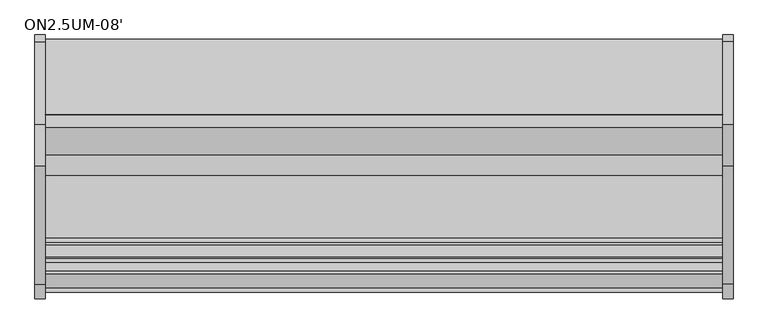
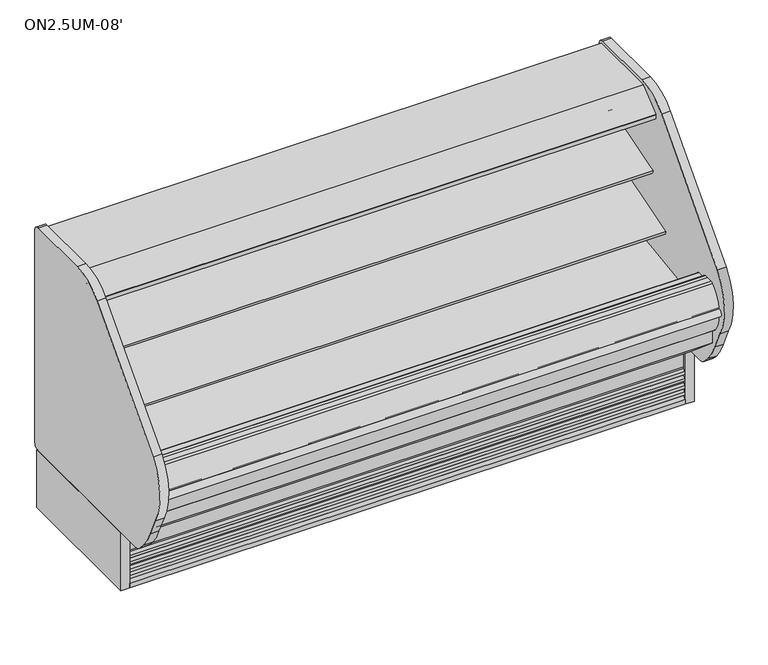
"""IFC4 building model written with IfcOpenShell, lengths in millimetres: proxy geometry, ON2.5UM-08'."""

import ifcopenshell
import ifcopenshell.guid

model = None  # the IFC model being written
_history = None  # IfcOwnerHistory: only IFC2X3 demands one
_inside = {}  # id of a spatial element -> (the spatial element, [elements in it])
_under = {}  # id of a project, library or spatial element -> (it, [spatial elements below it])
_declared = {}  # id of a project -> (the project, [libraries it declares])
_typed = {}  # id of a type object -> (the type object, [elements of that type])
_made_of = {}  # id of a material, layer set ... -> (it, [elements and type objects made of it])


def new_model(schema):
    """Start an empty IFC model of exactly this schema.

    Asked for "IFC4X3", IfcOpenShell would pick the latest addendum, in which some entities
    have other attributes; the version numbers below select the first issue.
    IFC2X3 requires an IfcOwnerHistory on every rooted entity: one is made here for all.
    """
    global model, _history
    if schema == "IFC4X3":
        model = ifcopenshell.file(schema_version=(4, 3, 0, 0))
    else:
        model = ifcopenshell.file(schema=schema)
    _inside.clear()
    _under.clear()
    _declared.clear()
    _typed.clear()
    _made_of.clear()
    _history = None
    if model.schema == "IFC2X3":
        org = make("IfcOrganization", Name="unknown")
        user = make(
            "IfcPersonAndOrganization",
            ThePerson=make("IfcPerson", FamilyName="unknown"),
            TheOrganization=org,
        )
        app = make(
            "IfcApplication",
            ApplicationDeveloper=org,
            Version="unknown",
            ApplicationFullName="unknown",
            ApplicationIdentifier="unknown",
        )
        _history = make(
            "IfcOwnerHistory",
            OwningUser=user,
            OwningApplication=app,
            ChangeAction="ADDED",
            CreationDate=0,
        )
    return model


def make(cls, **values):
    """One entity of the class cls with the attributes given. An attribute that is None is left unset."""
    return model.create_entity(
        cls, **{name: value for name, value in values.items() if value is not None}
    )


def rooted(cls, **values):
    """An entity with a GlobalId (a new one), such as an element, a storey or a relation."""
    return make(cls, GlobalId=ifcopenshell.guid.new(), OwnerHistory=_history, **values)


def si_unit(unit_type, name, prefix=None):
    """IfcSIUnit, for example si_unit("LENGTHUNIT", "METRE", prefix="MILLI")."""
    return make("IfcSIUnit", UnitType=unit_type, Prefix=prefix, Name=name)


def assignment(units):
    """IfcUnitAssignment: the units of a project."""
    return None if units is None else make("IfcUnitAssignment", Units=units)


def point(xyz):
    """IfcCartesianPoint."""
    return None if xyz is None else make("IfcCartesianPoint", Coordinates=xyz)


def direction(xyz):
    """IfcDirection."""
    return None if xyz is None else make("IfcDirection", DirectionRatios=xyz)


def frame(location, z_axis=None, x_axis=None):
    """IfcAxis2Placement3D, a coordinate frame: its origin and axes. An axis left out is left unset."""
    return make(
        "IfcAxis2Placement3D",
        Location=point(location),
        Axis=direction(z_axis),
        RefDirection=direction(x_axis),
    )


def frame_2d(location, x_axis=None):
    """IfcAxis2Placement2D, a coordinate frame in the plane: its origin and x axis."""
    return make(
        "IfcAxis2Placement2D", Location=point(location), RefDirection=direction(x_axis)
    )


def origin():
    """The frame at (0, 0, 0) with its axes left unset."""
    return frame((0.0, 0.0, 0.0))


def origin_with_axes():
    """The frame at (0, 0, 0) with the z axis (0, 0, 1) and the x axis (1, 0, 0) written out."""
    return frame((0.0, 0.0, 0.0), z_axis=(0.0, 0.0, 1.0), x_axis=(1.0, 0.0, 0.0))


def place(relative_to, where):
    """IfcLocalPlacement: puts the frame where relative to a parent placement (None: the world)."""
    return make(
        "IfcLocalPlacement", PlacementRelTo=relative_to, RelativePlacement=where
    )


def context(
    kind, dimensions, precision=None, world=None, true_north=None, identifier=None
):
    """IfcGeometricRepresentationContext, for example the 3D "Model" context."""
    return make(
        "IfcGeometricRepresentationContext",
        ContextIdentifier=identifier,
        ContextType=kind,
        CoordinateSpaceDimension=dimensions,
        Precision=precision,
        WorldCoordinateSystem=world,
        TrueNorth=true_north,
    )


def project(units=None, contexts=None):
    """IfcProject with its units and contexts."""
    return rooted(
        "IfcProject",
        Name="project",
        RepresentationContexts=contexts,
        UnitsInContext=assignment(units),
    )


def spatial(cls, under=None, at=None, **own):
    """A site, building, storey or space (cls), placed at a placement, below another one or the project."""
    s = rooted(cls, ObjectPlacement=at, **own)
    if under is not None:
        _under.setdefault(under.id(), (under, []))[1].append(s)
    return s


def polyline(points):
    """IfcPolyline through the points."""
    return make("IfcPolyline", Points=[point(p) for p in points])


def circle_curve(where, radius):
    """IfcCircle in the frame where."""
    return make("IfcCircle", Position=where, Radius=radius)


def trimmed(basis, trim1, trim2, sense, master):
    """IfcTrimmedCurve: the piece of a basis curve between two trims."""
    return make(
        "IfcTrimmedCurve",
        BasisCurve=basis,
        Trim1=trim1,
        Trim2=trim2,
        SenseAgreement=sense,
        MasterRepresentation=master,
    )


def segment(curve, same_sense, transition):
    """IfcCompositeCurveSegment."""
    return make(
        "IfcCompositeCurveSegment",
        Transition=transition,
        SameSense=same_sense,
        ParentCurve=curve,
    )


def composite_curve(segments, self_intersect=None):
    """IfcCompositeCurve: segments joined end to end."""
    return make("IfcCompositeCurve", Segments=segments, SelfIntersect=self_intersect)


def outline(outer, holes=None, kind="AREA"):
    """IfcArbitraryClosedProfileDef: a profile drawn as a closed curve; with holes, ...WithVoids."""
    if holes is None:
        return make("IfcArbitraryClosedProfileDef", ProfileType=kind, OuterCurve=outer)
    return make(
        "IfcArbitraryProfileDefWithVoids",
        ProfileType=kind,
        OuterCurve=outer,
        InnerCurves=holes,
    )


def extrude(swept, where, along, depth):
    """IfcExtrudedAreaSolid: the profile swept, set in the frame where, extruded along a direction by depth."""
    return make(
        "IfcExtrudedAreaSolid",
        SweptArea=swept,
        Position=where,
        ExtrudedDirection=direction(along),
        Depth=depth,
    )


def shape(context_of_items, identifier, shape_type, items):
    """IfcShapeRepresentation: the items that make up one representation, for example the "Body"."""
    return make(
        "IfcShapeRepresentation",
        ContextOfItems=context_of_items,
        RepresentationIdentifier=identifier,
        RepresentationType=shape_type,
        Items=items,
    )


def source(mapping_origin, context_of_items, identifier, shape_type, items):
    """IfcRepresentationMap: a shape defined once, which mapped items show again and again."""
    return make(
        "IfcRepresentationMap",
        MappingOrigin=mapping_origin,
        MappedRepresentation=shape(context_of_items, identifier, shape_type, items),
    )


def transform(
    local_origin,
    x_axis=None,
    y_axis=None,
    z_axis=None,
    scale=None,
    scale2=None,
    scale3=None,
    uniform=True,
):
    """IfcCartesianTransformationOperator3D, or its non-uniform kind. x_axis, y_axis, z_axis: its Axis1, 2, 3."""
    if uniform:
        return make(
            "IfcCartesianTransformationOperator3D",
            Axis1=direction(x_axis),
            Axis2=direction(y_axis),
            LocalOrigin=point(local_origin),
            Scale=scale,
            Axis3=direction(z_axis),
        )
    return make(
        "IfcCartesianTransformationOperator3DnonUniform",
        Axis1=direction(x_axis),
        Axis2=direction(y_axis),
        LocalOrigin=point(local_origin),
        Scale=scale,
        Axis3=direction(z_axis),
        Scale2=scale2,
        Scale3=scale3,
    )


def mapped(mapping_source, mapping_target):
    """IfcMappedItem: shows the shape of a source again, moved by a transform."""
    return make(
        "IfcMappedItem", MappingSource=mapping_source, MappingTarget=mapping_target
    )


def made_of(thing, what):
    """Note that an element or type object is made of a material, layer set ...; save() writes the relation."""
    if what is not None:
        _made_of.setdefault(what.id(), (what, []))[1].append(thing)
    return thing


def element(
    cls,
    number,
    at=None,
    inside=None,
    cuts=None,
    type_object=None,
    material=None,
    context=None,
    identifier="Body",
    shape_type=None,
    held_by="IfcProductDefinitionShape",
    body=None,
    shapes=None,
    **own,
):
    """One element of the class cls, such as IfcWall. Its Tag is "e" and its number.

    at: its placement. inside: the storey or other place that contains it. cuts: it is an
    opening in that element (IfcRelVoidsElement). A single representation is given by context,
    identifier, shape_type and body (its items); several are given by shapes. held_by: the class
    of the entity that holds the representations. save() writes the other relations.
    """
    e = rooted(cls, Tag="e%d" % number, ObjectPlacement=at, **own)
    if body is not None:
        shapes = [shape(context, identifier, shape_type, body)]
    if shapes is not None:
        e.Representation = make(held_by, Representations=shapes)
    if inside is not None:
        _inside.setdefault(inside.id(), (inside, []))[1].append(e)
    if cuts is not None:
        rooted(
            "IfcRelVoidsElement", RelatingBuildingElement=cuts, RelatedOpeningElement=e
        )
    if type_object is not None:
        _typed.setdefault(type_object.id(), (type_object, []))[1].append(e)
    return made_of(e, material)


def aggregate(whole, parts):
    """IfcRelAggregates: a whole, such as a stair, and the parts it consists of."""
    return rooted("IfcRelAggregates", RelatingObject=whole, RelatedObjects=parts)


def save(model, path):
    """Write the relations noted so far, then the file.

    IfcRelAggregates (storeys below a building ...), IfcRelContainedInSpatialStructure (elements
    in a storey), IfcRelDefinesByType, IfcRelAssociatesMaterial and IfcRelDeclares: one each for
    every whole, place, type object, material and project.
    """
    for whole, parts in _under.values():
        aggregate(whole, parts)
    for where, things in _inside.values():
        rooted(
            "IfcRelContainedInSpatialStructure",
            RelatedElements=things,
            RelatingStructure=where,
        )
    for kind, things in _typed.values():
        rooted("IfcRelDefinesByType", RelatedObjects=things, RelatingType=kind)
    for what, things in _made_of.values():
        rooted("IfcRelAssociatesMaterial", RelatedObjects=things, RelatingMaterial=what)
    for by, libraries in _declared.values():
        rooted("IfcRelDeclares", RelatingContext=by, RelatedDefinitions=libraries)
    model.write(path)


def plane_surface(at):
    """IfcPlane: the flat surface through the origin of the frame at, square to its z axis."""
    return make("IfcPlane", Position=at)


def revolved_surface(curve, axis_point, axis_direction):
    """IfcSurfaceOfRevolution: the curve turned about the line through axis_point along axis_direction."""
    return make(
        "IfcSurfaceOfRevolution",
        SweptCurve=make("IfcArbitraryOpenProfileDef", ProfileType="CURVE", Curve=curve),
        AxisPosition=make("IfcAxis1Placement", Location=point(axis_point), Axis=direction(axis_direction)),
    )


def advanced_brep(points, edges, surfaces, faces):
    """IfcAdvancedBrep: a solid bounded by faces that lie on surfaces and meet in shared edges.

    An edge is (start, end): straight between two places in points (the first is 0);
    or (start, end, curve); or (start, end, curve, False) where it runs against its curve.
    A face is (place in surfaces, loops), or (place, loops, False) where it looks against
    its surface's normal. A loop lists edges by number (the first is 1), with a minus sign
    where the edge is run from its end to its start. The first loop is the outer one.
    """
    corners = [point(p) for p in points]
    vertices = [make("IfcVertexPoint", VertexGeometry=c) for c in corners]
    made = []
    for start, end, *more in edges:
        made.append(
            make(
                "IfcEdgeCurve",
                EdgeStart=vertices[start],
                EdgeEnd=vertices[end],
                EdgeGeometry=more[0] if more else make("IfcPolyline", Points=[corners[start], corners[end]]),
                SameSense=more[1] if len(more) > 1 else True,
            )
        )
    hull = []
    for where, loops, *sense in faces:
        bounds = []
        for j, loop in enumerate(loops):
            ring = [make("IfcOrientedEdge", EdgeElement=made[abs(k) - 1], Orientation=k > 0) for k in loop]
            bounds.append(
                make(
                    "IfcFaceOuterBound" if j == 0 else "IfcFaceBound",
                    Bound=make("IfcEdgeLoop", EdgeList=ring),
                    Orientation=True,
                )
            )
        hull.append(make("IfcAdvancedFace", Bounds=bounds, FaceSurface=surfaces[where], SameSense=sense[0] if sense else True))
    return make("IfcAdvancedBrep", Outer=make("IfcClosedShell", CfsFaces=hull))


def on2_5um_08_da630ed4(model_context):
    return source(origin(), model_context, "Body", "SolidModel", [
        extrude(outline(polyline([(507.388263, -893.2764617), (202.588263, -893.2764617), (202.588263, -791.6764617), (507.388263, -791.6764617), (507.388263, -893.2764617)])), frame((0.0, 0.0, 73.025), z_axis=(0.0, 0.0, 1.0), x_axis=(1.0, 0.0, 0.0)), (0.0, 0.0, 1.0), 53.975),
        extrude(outline(composite_curve([segment(polyline([(-450.9752145, 601.5405648), (-468.3502366, 595.9037411)]), True, "CONTINUOUS"), segment(trimmed(circle_curve(frame_2d((-476.1883714, 620.0641145)), 25.4), [point((-468.3502366, 595.9037411))], [point((-485.6945728, 596.5100886))], False, "CARTESIAN"), True, "CONTINUOUS"), segment(polyline([(-485.6945728, 596.5100886), (-506.9899706, 605.1047271)]), True, "CONTINUOUS"), segment(trimmed(circle_curve(frame_2d((-530.755474, 546.2196624)), 63.5), [point((-506.9899706, 605.1047271))], [point((-541.6241367, 608.7826081))], True, "CARTESIAN"), True, "CONTINUOUS"), segment(polyline([(-541.6241367, 608.7826081), (-729.3406491, 576.171812), (-731.7702933, 579.0267523), (-835.4587722, 547.3260029), (-839.6174674, 560.9284818), (-450.9752145, 679.7483426), (-450.9752145, 601.5405648)]), True, "CONTINUOUS")], self_intersect=False)), frame((0.0, 0.0, 0.0), z_axis=(1.0, 0.0, 0.0), x_axis=(0.0, 1.0, 0.0)), (0.0, 0.0, 1.0), 2438.4),
        extrude(outline(composite_curve([segment(polyline([(-450.9752145, 796.011901), (-468.3502366, 790.3750773)]), True, "CONTINUOUS"), segment(trimmed(circle_curve(frame_2d((-476.1883714, 814.5354507)), 25.4), [point((-468.3502366, 790.3750773))], [point((-485.6945728, 790.9814248))], False, "CARTESIAN"), True, "CONTINUOUS"), segment(polyline([(-485.6945728, 790.9814248), (-506.9899706, 799.5760633)]), True, "CONTINUOUS"), segment(trimmed(circle_curve(frame_2d((-530.755474, 740.6909986)), 63.5), [point((-506.9899706, 799.5760633))], [point((-541.6241367, 803.2539443))], True, "CARTESIAN"), True, "CONTINUOUS"), segment(polyline([(-541.6241367, 803.2539443), (-679.3922366, 785.9139105), (-681.8218807, 788.7688507), (-738.298209, 771.5023043), (-742.4569042, 785.1047832), (-450.9752145, 874.2196788), (-450.9752145, 796.011901)]), True, "CONTINUOUS")], self_intersect=False)), frame((0.0, 0.0, 0.0), z_axis=(1.0, 0.0, 0.0), x_axis=(0.0, 1.0, 0.0)), (0.0, 0.0, 1.0), 2438.4),
        extrude(outline(composite_curve([segment(polyline([(-648.470614, 1072.6264761), (-649.9945361, 1074.2809705)]), True, "CONTINUOUS"), segment(trimmed(circle_curve(frame_2d((-649.4381785, 1074.7934206)), 0.7563986), [point((-649.9945361, 1074.2809705))], [point((-650.0466912, 1075.242699))], False, "CARTESIAN"), True, "CONTINUOUS"), segment(polyline([(-650.0466912, 1075.242699), (-648.8697344, 1075.2696879)]), True, "CONTINUOUS"), segment(trimmed(circle_curve(frame_2d((-648.8849906, 1075.9349944)), 0.6654814), [point((-648.8697344, 1075.2696879))], [point((-648.2227389, 1075.86951))], True, "CARTESIAN"), True, "CONTINUOUS"), segment(polyline([(-648.2227389, 1075.86951), (-620.3098143, 1075.9693853)]), True, "CONTINUOUS"), segment(trimmed(circle_curve(frame_2d((-619.7582325, 1075.901174)), 0.5557835), [point((-620.3098143, 1075.9693853))], [point((-619.8063732, 1075.3474794))], True, "CARTESIAN"), True, "CONTINUOUS"), segment(polyline([(-619.8063732, 1075.3474794), (-618.5866603, 1075.2414319)]), True, "CONTINUOUS"), segment(trimmed(circle_curve(frame_2d((-619.2724659, 1074.9057275)), 0.7635619), [point((-618.5866603, 1075.2414319))], [point((-618.7071533, 1074.3924554))], False, "CARTESIAN"), True, "CONTINUOUS"), segment(polyline([(-618.7071533, 1074.3924554), (-620.2979029, 1072.6404203), (-620.2739221, 1065.9383273)]), True, "CONTINUOUS"), segment(trimmed(circle_curve(frame_2d((-617.5454128, 1065.4973187)), 2.7639197), [point((-620.2739221, 1065.9383273))], [point((-618.5092301, 1062.9068924))], True, "CARTESIAN"), True, "CONTINUOUS"), segment(trimmed(circle_curve(frame_2d((-619.7320957, 1059.6202289)), 3.5067873), [point((-618.5092301, 1062.9068924))], [point((-617.51659, 1062.3385173))], False, "CARTESIAN"), True, "CONTINUOUS"), segment(trimmed(circle_curve(frame_2d((-619.9358423, 1056.2322704)), 6.5680312), [point((-617.51659, 1062.3385173))], [point((-613.3688711, 1056.350264))], False, "CARTESIAN"), True, "CONTINUOUS"), segment(trimmed(circle_curve(frame_2d((-1565.705013, 1048.3568984)), 952.3696872), [point((-613.3688711, 1056.350264))], [point((-613.3917721, 1037.9880818))], False, "CARTESIAN"), True, "CONTINUOUS"), segment(trimmed(circle_curve(frame_2d((-644.191626, 1038.432929)), 30.8030662), [point((-613.3917721, 1037.9880818))], [point((-613.4160701, 1037.1313729))], False, "CARTESIAN"), True, "CONTINUOUS"), segment(trimmed(circle_curve(frame_2d((-614.6672942, 1036.8230636)), 1.288649), [point((-613.4160701, 1037.1313729))], [point((-613.7448372, 1035.9232363))], False, "CARTESIAN"), True, "CONTINUOUS"), segment(polyline([(-613.7448372, 1035.9232363), (-615.3844258, 1035.9173697)]), True, "CONTINUOUS"), segment(trimmed(circle_curve(frame_2d((-614.9290066, 1038.5823232)), 2.7035873), [point((-615.3844258, 1035.9173697))], [point((-616.2763262, 1036.2383706))], False, "CARTESIAN"), True, "CONTINUOUS"), segment(polyline([(-616.2763262, 1036.2383706), (-652.0965363, 1036.1102022)]), True, "CONTINUOUS"), segment(trimmed(circle_curve(frame_2d((-653.4351306, 1038.4591487)), 2.7035873), [point((-652.0965363, 1036.1102022))], [point((-653.0538308, 1035.7825847))], False, "CARTESIAN"), True, "CONTINUOUS"), segment(polyline([(-653.0538308, 1035.7825847), (-654.7261323, 1035.7766011)]), True, "CONTINUOUS"), segment(trimmed(circle_curve(frame_2d((-653.779063, 1036.6504867)), 1.288649), [point((-654.7261323, 1035.7766011))], [point((-655.0218104, 1036.9913611))], False, "CARTESIAN"), True, "CONTINUOUS"), segment(trimmed(circle_curve(frame_2d((514.6365685, 1060.3863806)), 1169.8923242), [point((-655.0218104, 1036.9913611))], [point((-655.2482668, 1056.2004152))], False, "CARTESIAN"), True, "CONTINUOUS"), segment(trimmed(circle_curve(frame_2d((-648.976975, 1056.2228546)), 6.2713319), [point((-655.2482668, 1056.2004152))], [point((-652.1320539, 1061.6427329))], False, "CARTESIAN"), True, "CONTINUOUS"), segment(polyline([(-652.1320539, 1061.6427329), (-650.1549769, 1062.7936506)]), True, "CONTINUOUS"), segment(trimmed(circle_curve(frame_2d((-651.9196866, 1065.8251158)), 3.5077032), [point((-650.1549769, 1062.7936506))], [point((-648.4120058, 1065.8376464))], True, "CARTESIAN"), True, "CONTINUOUS"), segment(polyline([(-648.4120058, 1065.8376464), (-648.470614, 1072.6264761)]), True, "CONTINUOUS")], self_intersect=False)), frame((0.0, 0.0, 0.0), z_axis=(1.0, 0.0, 0.0), x_axis=(0.0, 1.0, 0.0)), (0.0, 0.0, 1.0), 2438.4),
        extrude(outline(composite_curve([segment(polyline([(-685.859414, 1072.6264761), (-687.3833361, 1074.2809705)]), True, "CONTINUOUS"), segment(trimmed(circle_curve(frame_2d((-686.8269785, 1074.7934206)), 0.7563986), [point((-687.3833361, 1074.2809705))], [point((-687.4354912, 1075.242699))], False, "CARTESIAN"), True, "CONTINUOUS"), segment(polyline([(-687.4354912, 1075.242699), (-686.2585344, 1075.2696879)]), True, "CONTINUOUS"), segment(trimmed(circle_curve(frame_2d((-686.2737906, 1075.9349944)), 0.6654814), [point((-686.2585344, 1075.2696879))], [point((-685.6115389, 1075.86951))], True, "CARTESIAN"), True, "CONTINUOUS"), segment(polyline([(-685.6115389, 1075.86951), (-657.6986143, 1075.9693853)]), True, "CONTINUOUS"), segment(trimmed(circle_curve(frame_2d((-657.1470325, 1075.901174)), 0.5557835), [point((-657.6986143, 1075.9693853))], [point((-657.1951732, 1075.3474794))], True, "CARTESIAN"), True, "CONTINUOUS"), segment(polyline([(-657.1951732, 1075.3474794), (-655.9754603, 1075.2414319)]), True, "CONTINUOUS"), segment(trimmed(circle_curve(frame_2d((-656.6612659, 1074.9057275)), 0.7635619), [point((-655.9754603, 1075.2414319))], [point((-656.0959533, 1074.3924554))], False, "CARTESIAN"), True, "CONTINUOUS"), segment(polyline([(-656.0959533, 1074.3924554), (-657.6867029, 1072.6404203), (-657.6627221, 1065.9383273)]), True, "CONTINUOUS"), segment(trimmed(circle_curve(frame_2d((-654.9342128, 1065.4973187)), 2.7639197), [point((-657.6627221, 1065.9383273))], [point((-655.8980301, 1062.9068924))], True, "CARTESIAN"), True, "CONTINUOUS"), segment(trimmed(circle_curve(frame_2d((-657.1208957, 1059.6202289)), 3.5067873), [point((-655.8980301, 1062.9068924))], [point((-654.90539, 1062.3385173))], False, "CARTESIAN"), True, "CONTINUOUS"), segment(trimmed(circle_curve(frame_2d((-657.3246423, 1056.2322704)), 6.5680312), [point((-654.90539, 1062.3385173))], [point((-650.7576711, 1056.350264))], False, "CARTESIAN"), True, "CONTINUOUS"), segment(trimmed(circle_curve(frame_2d((-1603.093813, 1048.3568984)), 952.3696872), [point((-650.7576711, 1056.350264))], [point((-650.7805721, 1037.9880818))], False, "CARTESIAN"), True, "CONTINUOUS"), segment(trimmed(circle_curve(frame_2d((-681.580426, 1038.432929)), 30.8030662), [point((-650.7805721, 1037.9880818))], [point((-650.8048701, 1037.1313729))], False, "CARTESIAN"), True, "CONTINUOUS"), segment(trimmed(circle_curve(frame_2d((-652.0560942, 1036.8230636)), 1.288649), [point((-650.8048701, 1037.1313729))], [point((-651.1336372, 1035.9232363))], False, "CARTESIAN"), True, "CONTINUOUS"), segment(polyline([(-651.1336372, 1035.9232363), (-652.7732258, 1035.9173697)]), True, "CONTINUOUS"), segment(trimmed(circle_curve(frame_2d((-652.3178066, 1038.5823232)), 2.7035873), [point((-652.7732258, 1035.9173697))], [point((-653.6651262, 1036.2383706))], False, "CARTESIAN"), True, "CONTINUOUS"), segment(polyline([(-653.6651262, 1036.2383706), (-689.4853363, 1036.1102022)]), True, "CONTINUOUS"), segment(trimmed(circle_curve(frame_2d((-690.8239306, 1038.4591487)), 2.7035873), [point((-689.4853363, 1036.1102022))], [point((-690.4426308, 1035.7825847))], False, "CARTESIAN"), True, "CONTINUOUS"), segment(polyline([(-690.4426308, 1035.7825847), (-692.1149323, 1035.7766011)]), True, "CONTINUOUS"), segment(trimmed(circle_curve(frame_2d((-691.167863, 1036.6504867)), 1.288649), [point((-692.1149323, 1035.7766011))], [point((-692.4106104, 1036.9913611))], False, "CARTESIAN"), True, "CONTINUOUS"), segment(trimmed(circle_curve(frame_2d((477.2477685, 1060.3863806)), 1169.8923242), [point((-692.4106104, 1036.9913611))], [point((-692.6370668, 1056.2004152))], False, "CARTESIAN"), True, "CONTINUOUS"), segment(trimmed(circle_curve(frame_2d((-686.365775, 1056.2228546)), 6.2713319), [point((-692.6370668, 1056.2004152))], [point((-689.5208539, 1061.6427329))], False, "CARTESIAN"), True, "CONTINUOUS"), segment(polyline([(-689.5208539, 1061.6427329), (-687.5437769, 1062.7936506)]), True, "CONTINUOUS"), segment(trimmed(circle_curve(frame_2d((-689.3084866, 1065.8251158)), 3.5077032), [point((-687.5437769, 1062.7936506))], [point((-685.8008058, 1065.8376464))], True, "CARTESIAN"), True, "CONTINUOUS"), segment(polyline([(-685.8008058, 1065.8376464), (-685.859414, 1072.6264761)]), True, "CONTINUOUS")], self_intersect=False)), frame((0.0, 0.0, 0.0), z_axis=(1.0, 0.0, 0.0), x_axis=(0.0, 1.0, 0.0)), (0.0, 0.0, 1.0), 2438.4),
        extrude(outline(composite_curve([segment(trimmed(circle_curve(frame_2d((-634.3430759, 1052.6167993)), 14.2875), [point((-648.6305759, 1052.6167993))], [point((-620.0555759, 1052.6167993))], False, "CARTESIAN"), True, "CONTINUOUS"), segment(trimmed(circle_curve(frame_2d((-634.3430759, 1052.6167993)), 14.2875), [point((-620.0555759, 1052.6167993))], [point((-648.6305759, 1052.6167993))], False, "CARTESIAN"), True, "CONTINUOUS")], self_intersect=False)), frame((0.0, 0.0, 0.0), z_axis=(1.0, 0.0, 0.0), x_axis=(0.0, 1.0, 0.0)), (0.0, 0.0, 1.0), 2438.4),
        extrude(outline(composite_curve([segment(trimmed(circle_curve(frame_2d((-671.7318759, 1052.6167993)), 14.2875), [point((-686.0193759, 1052.6167993))], [point((-657.4443759, 1052.6167993))], False, "CARTESIAN"), True, "CONTINUOUS"), segment(trimmed(circle_curve(frame_2d((-671.7318759, 1052.6167993)), 14.2875), [point((-657.4443759, 1052.6167993))], [point((-686.0193759, 1052.6167993))], False, "CARTESIAN"), True, "CONTINUOUS")], self_intersect=False)), frame((0.0, 0.0, 0.0), z_axis=(1.0, 0.0, 0.0), x_axis=(0.0, 1.0, 0.0)), (0.0, 0.0, 1.0), 2438.4),
        extrude(outline(composite_curve([segment(polyline([(-973.672535, -56.2420958), (-970.1834379, -45.2032877), (-982.2794629, -45.2032877), (-982.2794629, -32.8224109)]), True, "CONTINUOUS"), segment(trimmed(circle_curve(frame_2d((-986.6973307, -19.3202637)), 14.2065314), [point((-982.2794629, -32.8224109))], [point((-973.1374647, -23.5576651))], True, "CARTESIAN"), True, "CONTINUOUS"), segment(polyline([(-973.1374647, -23.5576651), (-970.3324167, -14.5813913), (-982.2794629, -14.5813913), (-982.2794629, -1.8502278)]), True, "CONTINUOUS"), segment(trimmed(circle_curve(frame_2d((-986.769706, 11.7233359)), 14.2969897), [point((-982.2794629, -1.8502278))], [point((-973.1374647, 7.414518))], True, "CARTESIAN"), True, "CONTINUOUS"), segment(polyline([(-973.1374647, 7.414518), (-971.254091, 13.4413945), (-971.254091, 130.175), (-962.6443405, 130.175), (-962.6443405, -149.3857268), (-987.2903379, -149.3857268), (-987.2903379, -127.7937749)]), True, "CONTINUOUS"), segment(trimmed(circle_curve(frame_2d((-986.7545143, -114.0983982)), 13.7058546), [point((-987.2903379, -127.7937749))], [point((-973.672535, -118.186462))], True, "CARTESIAN"), True, "CONTINUOUS"), segment(polyline([(-973.672535, -118.186462), (-970.7580238, -108.8599016), (-982.8145331, -108.8599016), (-982.8145331, -96.4790247)]), True, "CONTINUOUS"), segment(trimmed(circle_curve(frame_2d((-987.2324009, -82.9768775)), 14.2065314), [point((-982.8145331, -96.4790247))], [point((-973.672535, -87.2142789))], True, "CARTESIAN"), True, "CONTINUOUS"), segment(polyline([(-973.672535, -87.2142789), (-970.867487, -78.2380052), (-982.8145331, -78.2380052), (-982.8145331, -65.5068416)]), True, "CONTINUOUS"), segment(trimmed(circle_curve(frame_2d((-987.3047763, -51.933278)), 14.2969897), [point((-982.8145331, -65.5068416))], [point((-973.672535, -56.2420958))], True, "CARTESIAN"), True, "CONTINUOUS")], self_intersect=False)), frame((0.0, 0.0, 0.0), z_axis=(1.0, 0.0, 0.0), x_axis=(0.0, 1.0, 0.0)), (0.0, 0.0, 1.0), 2438.4),
        extrude(outline(polyline([(-349.0071273, 130.0142732), (-349.0071273, -149.3857268), (-390.3074283, -149.3857268), (-390.3074283, -79.5357268), (-920.5324283, -79.5357268), (-920.5324283, -149.3857268), (-962.9606519, -149.3857268), (-962.9606519, 130.0142732), (-349.0071273, 130.0142732)])), frame((0.0, 0.0, 0.0), z_axis=(1.0, 0.0, 0.0), x_axis=(0.0, 1.0, 0.0)), (0.0, 0.0, 1.0), 2438.4),
        extrude(outline(composite_curve([segment(polyline([(-399.8071273, 210.4307819), (-850.7588442, 194.683201), (-887.8011508, 163.7297871), (-889.0391302, 163.6865559), (-901.7492603, 153.7615258), (-962.0375119, 151.6562137), (-975.406166, 160.6685318), (-976.7040986, 160.6685318), (-1015.7041009, 188.882107), (-1030.3158209, 188.3718545), (-1140.3441273, 280.6965658), (-1140.3441273, 390.4771975), (-1152.9959201, 390.4771975), (-1152.9959201, 539.5892732), (-1138.0485917, 539.5892732)]), True, "CONTINUOUS"), segment(trimmed(circle_curve(frame_2d((-1138.0485917, 536.4142732)), 3.175), [point((-1138.0485917, 539.5892732))], [point((-1134.8735917, 536.4142732))], False, "CARTESIAN"), True, "CONTINUOUS"), segment(polyline([(-1134.8735917, 536.4142732), (-1134.8735917, 523.3115042), (-1089.9420117, 523.3115042)]), True, "CONTINUOUS"), segment(trimmed(circle_curve(frame_2d((-1089.9420117, 515.3867042)), 7.9248), [point((-1089.9420117, 523.3115042))], [point((-1082.0172117, 515.3867042))], False, "CARTESIAN"), True, "CONTINUOUS"), segment(polyline([(-1082.0172117, 515.3867042), (-1082.0172117, 377.7429537), (-1064.7975145, 377.7429537), (-542.3529877, 450.4013198), (-462.7893073, 458.1248825)]), True, "CONTINUOUS"), segment(trimmed(circle_curve(frame_2d((-463.6752145, 470.7939459)), 12.7), [point((-462.7893073, 458.1248825))], [point((-450.9752145, 470.7939459))], True, "CARTESIAN"), True, "CONTINUOUS"), segment(polyline([(-450.9752145, 470.7939459), (-450.9752145, 1012.0331953), (-399.8071273, 1012.0331953), (-399.8071273, 210.4307819)]), True, "CONTINUOUS")], self_intersect=False)), frame((0.0, 0.0, 0.0), z_axis=(1.0, 0.0, 0.0), x_axis=(0.0, 1.0, 0.0)), (0.0, 0.0, 1.0), 2438.4),
        advanced_brep(
        [(2438.4, -1040.4311421, 130.175), (2438.4, -349.0071273, 130.175), (2438.4, -349.0071273, 1092.2749935), (2438.4, -399.8071273, 1092.2749935), (2438.4, -399.8071273, 210.4307819), (2438.4, -850.7588442, 194.683201), (2438.4, -887.8011508, 163.7297871), (2438.4, -889.0391302, 163.6865559), (2438.4, -901.7492603, 153.7615258), (2438.4, -962.0375119, 151.6562137), (2438.4, -975.7864511, 160.9248965), (2438.4, -977.0584749, 160.9248965), (2438.4, -1015.7041009, 188.882107), (2438.4, -1030.3158209, 188.3718545), (2438.4, -1140.3441273, 280.6965658), (2438.4, -1140.3441273, 390.4771975), (2438.4, -1192.9399655, 390.4771975), (2438.4, -1192.9399655, 258.1450974), (0.0, -1040.4311421, 130.175), (0.0, -1192.9399655, 258.1450974), (0.0, -1192.9399655, 390.4771975), (0.0, -1140.3441273, 390.4771975), (0.0, -1140.3441273, 280.6965658), (0.0, -1030.3158209, 188.3718545), (0.0, -1015.7041009, 188.882107), (0.0, -977.0584749, 160.9248965), (0.0, -975.7864511, 160.9248965), (0.0, -962.0375119, 151.6562137), (0.0, -901.7492603, 153.7615258), (0.0, -889.0391302, 163.6865559), (0.0, -887.8011508, 163.7297871), (0.0, -850.7588442, 194.683201), (0.0, -399.8071273, 210.4307819), (0.0, -399.8071273, 1092.2749935), (0.0, -349.0071273, 1092.2749935), (0.0, -349.0071273, 130.175), (2336.8, -349.0071273, 279.4), (2336.8, -349.0071273, 342.9), (2336.8, -399.8071273, 342.9), (2336.8, -399.8071273, 279.4)],
        [
            (0, 1),
            (1, 2),
            (2, 3),
            (3, 4),
            (4, 5),
            (5, 6),
            (6, 7),
            (7, 8),
            (8, 9),
            (9, 10),
            (10, 11),
            (11, 12),
            (12, 13),
            (13, 14),
            (14, 15),
            (15, 16),
            (16, 17),
            (17, 0),
            (18, 19),
            (19, 20),
            (20, 21),
            (21, 22),
            (22, 23),
            (23, 24),
            (24, 25),
            (25, 26),
            (26, 27),
            (27, 28),
            (28, 29),
            (29, 30),
            (30, 31),
            (31, 32),
            (32, 33),
            (33, 34),
            (34, 35),
            (35, 18),
            (0, 18),
            (35, 1),
            (34, 2),
            (36, 37, circle_curve(frame((2336.8, -349.0071273, 311.15), z_axis=(0.0, -1.0, 0.0), x_axis=(0.0, 0.0, -1.0)), 31.75)),
            (37, 36, circle_curve(frame((2336.8, -349.0071273, 311.15), z_axis=(0.0, -1.0, 0.0), x_axis=(0.0, 0.0, -1.0)), 31.75)),
            (33, 3),
            (32, 4),
            (38, 39, circle_curve(frame((2336.8, -399.8071273, 311.15), z_axis=(0.0, 1.0, 0.0), x_axis=(0.0, 0.0, -1.0)), 31.75)),
            (39, 38, circle_curve(frame((2336.8, -399.8071273, 311.15), z_axis=(0.0, 1.0, 0.0), x_axis=(0.0, 0.0, -1.0)), 31.75)),
            (5, 31),
            (30, 6),
            (29, 7),
            (28, 8),
            (27, 9),
            (26, 10),
            (25, 11),
            (24, 12),
            (23, 13),
            (22, 14),
            (21, 15),
            (20, 16),
            (19, 17),
            (36, 39),
            (38, 37),
        ],
        [
            plane_surface(frame((2438.4, -349.0071273, 130.175), z_axis=(1.0, 0.0, 0.0), x_axis=(0.0, 1.0, 0.0))),
            plane_surface(frame((0.0, -349.0071273, 130.175), z_axis=(-1.0, 0.0, 0.0), x_axis=(0.0, -1.0, 0.0))),
            plane_surface(frame((2438.4, -1040.4311421, 130.175), z_axis=(0.0, 0.0, -1.0), x_axis=(-1.0, 0.0, 0.0))),
            plane_surface(frame((2438.4, -349.0071273, 130.175), z_axis=(0.0, 1.0, 0.0), x_axis=(-1.0, 0.0, 0.0))),
            plane_surface(frame((2438.4, -349.0071273, 1092.2749935), z_axis=(0.0, 0.0, 1.0), x_axis=(-1.0, 0.0, 0.0))),
            plane_surface(frame((2438.4, -399.8071273, 1092.2749935), z_axis=(0.0, -1.0, 0.0), x_axis=(-1.0, 0.0, 0.0))),
            plane_surface(frame((2438.4, -850.7588442, 194.683201), z_axis=(0.0, -0.6412208566385922, 0.7673563794037749), x_axis=(-1.0, 0.0, 0.0))),
            plane_surface(frame((2438.4, -887.8011508, 163.7297871), z_axis=(0.0, -0.03489949670156376, 0.9993908270191285), x_axis=(-1.0, 0.0, 0.0))),
            plane_surface(frame((2438.4, -889.0391302, 163.6865559), z_axis=(0.0, -0.6154607629252825, 0.7881675261639681), x_axis=(-1.0, 0.0, 0.0))),
            plane_surface(frame((2438.4, -901.7492603, 153.7615258), z_axis=(0.0, -0.03489949670244605, 0.9993908270190978), x_axis=(-1.0, 0.0, 0.0))),
            plane_surface(frame((2438.4, -962.0375119, 151.6562137), z_axis=(0.0, 0.5589817440967393, 0.8291799622317025), x_axis=(-1.0, 0.0, 0.0))),
            plane_surface(frame((2438.4, -975.7864511, 160.9248965), z_axis=(0.0, 0.0, 1.0), x_axis=(-1.0, 0.0, 0.0))),
            plane_surface(frame((2438.4, -977.0584749, 160.9248965), z_axis=(0.0, 0.5861307997256155, 0.8102164436821869), x_axis=(-1.0, 0.0, 0.0))),
            plane_surface(frame((2438.4, -1015.7041009, 188.882107), z_axis=(0.0, -0.03489949670336666, 0.9993908270190656), x_axis=(-1.0, 0.0, 0.0))),
            plane_surface(frame((2438.4, -1030.3158209, 188.3718545), z_axis=(0.0, 0.6427876096870732, 0.7660444431185303), x_axis=(-1.0, 0.0, 0.0))),
            plane_surface(frame((2438.4, -1140.3441273, 280.6965658), z_axis=(0.0, 1.0, 0.0), x_axis=(-1.0, 0.0, 0.0))),
            plane_surface(frame((2438.4, -1140.3441273, 390.4771975), z_axis=(0.0, 0.0, 1.0), x_axis=(-1.0, 0.0, 0.0))),
            plane_surface(frame((2438.4, -1192.9399655, 390.4771975), z_axis=(0.0, -1.0, 0.0), x_axis=(-1.0, 0.0, 0.0))),
            plane_surface(frame((2438.4, -1192.9399655, 258.1450974), z_axis=(0.0, -0.642787609687077, -0.7660444431185269), x_axis=(-1.0, 0.0, 0.0))),
            revolved_surface(polyline([(2336.8, -349.0071273, 279.4), (2336.8, -399.8071273, 279.4)]), (2336.8, -399.8071273, 311.15), (0.0, 1.0, 0.0)),
            plane_surface(frame((2438.4, -399.8071273, 210.4307819), z_axis=(0.0, -0.03489949670246552, 0.999390827019097), x_axis=(-1.0, 0.0, 0.0))),
        ],
        [
            (0, [[1, 2, 3, 4, 5, 6, 7, 8, 9, 10, 11, 12, 13, 14, 15, 16, 17, 18]]),
            (1, [[19, 20, 21, 22, 23, 24, 25, 26, 27, 28, 29, 30, 31, 32, 33, 34, 35, 36]]),
            (2, [[-1, 37, -36, 38]]),
            (3, [[-2, -38, -35, 39], [40, 41]]),
            (4, [[-3, -39, -34, 42]]),
            (5, [[-4, -42, -33, 43], [44, 45]]),
            (6, [[-6, 46, -31, 47]]),
            (7, [[-7, -47, -30, 48]]),
            (8, [[-8, -48, -29, 49]]),
            (9, [[-9, -49, -28, 50]]),
            (10, [[-10, -50, -27, 51]]),
            (11, [[-11, -51, -26, 52]]),
            (12, [[-12, -52, -25, 53]]),
            (13, [[-13, -53, -24, 54]]),
            (14, [[-14, -54, -23, 55]]),
            (15, [[-15, -55, -22, 56]]),
            (16, [[-16, -56, -21, 57]]),
            (17, [[-17, -57, -20, 58]]),
            (18, [[-18, -58, -19, -37]]),
            (19, [[59, -44, 60, -40]]),
            (19, [[-59, -41, -60, -45]]),
            (20, [[-5, -43, -32, -46]]),
        ],
    ),
        extrude(outline(composite_curve([segment(trimmed(circle_curve(frame_2d((2205.0375, -939.5571273)), 11.1125), [point((2193.925, -939.5571273))], [point((2216.15, -939.5571273))], False, "CARTESIAN"), True, "CONTINUOUS"), segment(trimmed(circle_curve(frame_2d((2205.0375, -939.5571273)), 11.1125), [point((2216.15, -939.5571273))], [point((2193.925, -939.5571273))], False, "CARTESIAN"), True, "CONTINUOUS")], self_intersect=False)), origin_with_axes(), (0.0, 0.0, 1.0), 127.0),
        extrude(outline(composite_curve([segment(trimmed(circle_curve(frame_2d((2230.4375, -939.5571273)), 4.7625), [point((2225.675, -939.5571273))], [point((2235.2, -939.5571273))], False, "CARTESIAN"), True, "CONTINUOUS"), segment(trimmed(circle_curve(frame_2d((2230.4375, -939.5571273)), 4.7625), [point((2235.2, -939.5571273))], [point((2225.675, -939.5571273))], False, "CARTESIAN"), True, "CONTINUOUS")], self_intersect=False)), origin_with_axes(), (0.0, 0.0, 1.0), 127.0),
        extrude(outline(composite_curve([segment(trimmed(circle_curve(frame_2d((1219.2, -939.5571273)), 19.05), [point((1200.15, -939.5571273))], [point((1238.25, -939.5571273))], False, "CARTESIAN"), True, "CONTINUOUS"), segment(trimmed(circle_curve(frame_2d((1219.2, -939.5571273)), 19.05), [point((1238.25, -939.5571273))], [point((1200.15, -939.5571273))], False, "CARTESIAN"), True, "CONTINUOUS")], self_intersect=False)), origin_with_axes(), (0.0, 0.0, 1.0), 127.0),
        extrude(outline(composite_curve([segment(polyline([(-349.0071273, 1092.2749935), (-399.8071273, 1092.2749935), (-399.8071273, 1012.0331953), (-450.9752145, 1012.0331953), (-450.9752145, 965.1025378), (-452.6021305, 965.1025378), (-476.2704286, 961.7782473)]), True, "CONTINUOUS"), segment(trimmed(circle_curve(frame_2d((-476.4103115, 963.3519225)), 1.57988), [point((-476.2704286, 961.7782473))], [point((-477.9748162, 963.1320457))], False, "CARTESIAN"), True, "CONTINUOUS"), segment(polyline([(-477.9748162, 963.1320457), (-478.8596259, 969.4277938), (-478.0748583, 969.5380857), (-490.0103931, 1054.4638279), (-490.7906652, 1054.3602184), (-491.8137739, 1062.0649865)]), True, "CONTINUOUS"), segment(trimmed(circle_curve(frame_2d((-490.2526771, 1062.272283)), 1.5748), [point((-491.8137739, 1062.0649865))], [point((-490.4599737, 1063.8333798))], False, "CARTESIAN"), True, "CONTINUOUS"), segment(polyline([(-490.4599737, 1063.8333798), (-466.4955625, 1067.0155909)]), True, "CONTINUOUS"), segment(trimmed(circle_curve(frame_2d((-466.288266, 1065.4544941)), 1.5748), [point((-466.4955625, 1067.0155909))], [point((-464.7836013, 1065.9192298))], False, "CARTESIAN"), True, "CONTINUOUS"), segment(polyline([(-464.7836013, 1065.9192298), (-462.0166042, 1056.9605838), (-452.3090902, 1059.9588787), (-454.1216347, 1065.8273143), (-457.7728022, 1064.6996026), (-458.7166992, 1064.1088718), (-482.986121, 1093.0320425), (-691.3544388, 1093.0320425), (-692.1926388, 1092.1938425), (-692.1926388, 1081.0686425), (-692.7507284, 1079.8898324), (-737.3885713, 1043.3138324), (-738.3544817, 1042.9686425), (-749.8511048, 1042.9686425), (-749.8511048, 1041.0368669), (-764.9122817, 1041.0368669), (-764.9122817, 1059.4011534), (-764.3645933, 1060.5494059), (-666.4673876, 1139.825), (-349.0071273, 1139.825), (-349.0071273, 1092.2749935)]), True, "CONTINUOUS")], self_intersect=False), holes=[composite_curve([segment(polyline([(-475.8499668, 962.4501808), (-452.2692084, 965.7642403), (-466.3652471, 1066.0627674), (-489.1258285, 1063.0404117)]), True, "CONTINUOUS"), segment(trimmed(circle_curve(frame_2d((-489.0221802, 1062.2598633)), 0.7874), [point((-489.1258285, 1063.0404117))], [point((-489.8027323, 1062.156243))], True, "CARTESIAN"), True, "CONTINUOUS"), segment(polyline([(-489.8027323, 1062.156243), (-488.7798961, 1054.4514082), (-475.8499668, 962.4501808)]), True, "CONTINUOUS")], self_intersect=False)]), frame((0.0, 0.0, 0.0), z_axis=(1.0, 0.0, 0.0), x_axis=(0.0, 1.0, 0.0)), (0.0, 0.0, 1.0), 2438.4),
        extrude(outline(composite_curve([segment(polyline([(-647.0430759, 1084.0509567), (-648.8822888, 1092.4583567), (-619.8038629, 1092.4583567), (-621.6430759, 1084.0509567), (-621.6430759, 1076.3247619)]), True, "CONTINUOUS"), segment(trimmed(circle_curve(frame_2d((-634.3430759, 1069.7793317)), 14.2875), [point((-621.6430759, 1076.3247619))], [point((-647.0430759, 1076.3247619))], True, "CARTESIAN"), True, "CONTINUOUS"), segment(polyline([(-647.0430759, 1076.3247619), (-647.0430759, 1084.0509567)]), True, "CONTINUOUS")], self_intersect=False)), frame((0.0, 0.0, 0.0), z_axis=(1.0, 0.0, 0.0), x_axis=(0.0, 1.0, 0.0)), (0.0, 0.0, 1.0), 2438.4),
        extrude(outline(composite_curve([segment(trimmed(circle_curve(frame_2d((-671.7318759, 1069.7793317)), 14.2875), [point((-659.0318759, 1076.3247619))], [point((-684.4318759, 1076.3247619))], True, "CARTESIAN"), True, "CONTINUOUS"), segment(polyline([(-684.4318759, 1076.3247619), (-684.4318759, 1084.0509567), (-686.2710888, 1092.4583567), (-657.1926629, 1092.4583567), (-659.0318759, 1084.0509567), (-659.0318759, 1076.3247619)]), True, "CONTINUOUS")], self_intersect=False)), frame((0.0, 0.0, 0.0), z_axis=(1.0, 0.0, 0.0), x_axis=(0.0, 1.0, 0.0)), (0.0, 0.0, 1.0), 2438.4),
        extrude(outline(composite_curve([segment(trimmed(circle_curve(frame_2d((-634.3430759, 1049.1418317)), 14.2875), [point((-648.6305759, 1049.1418317))], [point((-620.0555759, 1049.1418317))], False, "CARTESIAN"), True, "CONTINUOUS"), segment(trimmed(circle_curve(frame_2d((-634.3430759, 1049.1418317)), 14.2875), [point((-620.0555759, 1049.1418317))], [point((-648.6305759, 1049.1418317))], False, "CARTESIAN"), True, "CONTINUOUS")], self_intersect=False)), frame((0.0, 0.0, 0.0), z_axis=(1.0, 0.0, 0.0), x_axis=(0.0, 1.0, 0.0)), (0.0, 0.0, 1.0), 2438.4),
        extrude(outline(composite_curve([segment(trimmed(circle_curve(frame_2d((-671.7318759, 1049.1418317)), 14.2875), [point((-657.4443759, 1049.1418317))], [point((-686.0193759, 1049.1418317))], False, "CARTESIAN"), True, "CONTINUOUS"), segment(trimmed(circle_curve(frame_2d((-671.7318759, 1049.1418317)), 14.2875), [point((-686.0193759, 1049.1418317))], [point((-657.4443759, 1049.1418317))], False, "CARTESIAN"), True, "CONTINUOUS")], self_intersect=False)), frame((0.0, 0.0, 0.0), z_axis=(1.0, 0.0, 0.0), x_axis=(0.0, 1.0, 0.0)), (0.0, 0.0, 1.0), 2438.4),
        extrude(outline(composite_curve([segment(trimmed(circle_curve(frame_2d((-1243.3454388, 431.6392732)), 17.3404466), [point((-1243.9159908, 414.3082155))], [point((-1243.9159908, 448.9703308))], False, "CARTESIAN"), True, "CONTINUOUS"), segment(trimmed(circle_curve(frame_2d((-1244.4865429, 431.6392732)), 17.3404466), [point((-1243.9159908, 448.9703308))], [point((-1243.9159908, 414.3082155))], False, "CARTESIAN"), True, "CONTINUOUS")], self_intersect=False)), frame((0.0, 0.0, 0.0), z_axis=(1.0, 0.0, 0.0), x_axis=(0.0, 1.0, 0.0)), (0.0, 0.0, 1.0), 2438.4),
        extrude(outline(composite_curve([segment(polyline([(-1192.9399655, 330.0519731), (-1209.3590917, 330.0519732)]), True, "CONTINUOUS"), segment(trimmed(circle_curve(frame_2d((-1209.3590917, 336.4019735)), 6.3500003), [point((-1209.3590917, 330.0519732))], [point((-1214.1204173, 332.2005116))], False, "CARTESIAN"), True, "CONTINUOUS"), segment(trimmed(circle_curve(frame_2d((-1112.5910686, 415.8326039)), 131.5391027), [point((-1214.1204173, 332.2005116))], [point((-1244.1224306, 414.4056046))], False, "CARTESIAN"), True, "CONTINUOUS"), segment(trimmed(circle_curve(frame_2d((-1244.4862372, 431.7422344)), 17.3404466), [point((-1244.1224306, 414.4056046))], [point((-1244.476772, 449.0826785))], True, "CARTESIAN"), True, "CONTINUOUS"), segment(trimmed(circle_curve(frame_2d((-1103.5131671, 423.3102831)), 143.3002242), [point((-1244.476772, 449.0826785))], [point((-1192.8405144, 535.3619643))], False, "CARTESIAN"), True, "CONTINUOUS"), segment(trimmed(circle_curve(frame_2d((-1182.0540917, 523.7142732)), 15.875), [point((-1192.8405144, 535.3619643))], [point((-1182.0540917, 539.5892732))], False, "CARTESIAN"), True, "CONTINUOUS"), segment(polyline([(-1182.0540917, 539.5892732), (-1152.9959201, 539.5892732), (-1152.9959201, 390.4771975), (-1192.9399655, 390.4771975), (-1192.9399655, 330.0519731)]), True, "CONTINUOUS")], self_intersect=False)), frame((0.0, 0.0, 0.0), z_axis=(1.0, 0.0, 0.0), x_axis=(0.0, 1.0, 0.0)), (0.0, 0.0, 1.0), 2438.4),
        extrude(outline(polyline([(2438.4, -987.1821273), (2438.4, -349.0071273), (2476.5, -349.0071273), (2476.5, -987.1821273), (2438.4, -987.1821273)])), frame((0.0, 0.0, -149.3857268), z_axis=(0.0, 0.0, 1.0), x_axis=(1.0, 0.0, 0.0)), (0.0, 0.0, 1.0), 269.875),
        extrude(outline(polyline([(0.0, -349.0071273), (0.0, -987.1821273), (-38.1, -987.1821273), (-38.1, -349.0071273), (0.0, -349.0071273)])), frame((0.0, 0.0, -149.3857268), z_axis=(0.0, 0.0, 1.0), x_axis=(1.0, 0.0, 0.0)), (0.0, 0.0, 1.0), 269.875),
        extrude(outline(composite_curve([segment(polyline([(-333.4882527, 1129.4453274), (-333.4882527, 146.4514655)]), True, "CONTINUOUS"), segment(trimmed(circle_curve(frame_2d((-359.4504451, 146.4514655)), 25.9621924), [point((-333.4882527, 146.4514655))], [point((-359.4504451, 120.4892732))], False, "CARTESIAN"), True, "CONTINUOUS"), segment(polyline([(-359.4504451, 120.4892732), (-1091.5724294, 120.4892732)]), True, "CONTINUOUS"), segment(trimmed(circle_curve(frame_2d((-1091.5724294, 177.8171266)), 57.3278534), [point((-1091.5724294, 120.4892732))], [point((-1135.5496727, 141.0409815))], False, "CARTESIAN"), True, "CONTINUOUS"), segment(trimmed(circle_curve(frame_2d((-90.7024922, 1134.997715)), 1442.1011125), [point((-1135.5496727, 141.0409815))], [point((-1158.1368196, 165.3381998))], False, "CARTESIAN"), True, "CONTINUOUS"), segment(trimmed(circle_curve(frame_2d((-965.4273593, 340.3958657)), 260.35), [point((-1158.1368196, 165.3381998))], [point((-1209.509184, 249.8078679))], False, "CARTESIAN"), True, "CONTINUOUS"), segment(trimmed(circle_curve(frame_2d((-1810.371575, 26.8051063)), 640.910169), [point((-1209.509184, 249.8078679))], [point((-1248.6048522, 335.3241395))], True, "CARTESIAN"), True, "CONTINUOUS"), segment(trimmed(circle_curve(frame_2d((-1030.4363779, 465.0916313)), 253.8446082), [point((-1248.6048522, 335.3241395))], [point((-1230.9114425, 620.8055793))], False, "CARTESIAN"), True, "CONTINUOUS"), segment(polyline([(-1230.9114425, 620.8055793), (-806.6927097, 1087.6272751)]), True, "CONTINUOUS"), segment(trimmed(circle_curve(frame_2d((-654.7824756, 949.5806342)), 205.2646932), [point((-806.6927097, 1087.6272751))], [point((-654.7824756, 1154.8453274))], False, "CARTESIAN"), True, "CONTINUOUS"), segment(polyline([(-654.7824756, 1154.8453274), (-358.8882527, 1154.8453274)]), True, "CONTINUOUS"), segment(trimmed(circle_curve(frame_2d((-358.8882527, 1129.4453274)), 25.4), [point((-358.8882527, 1154.8453274))], [point((-333.4882527, 1129.4453274))], False, "CARTESIAN"), True, "CONTINUOUS")], self_intersect=False)), frame((2438.4, 0.0, 0.0), z_axis=(1.0, 0.0, 0.0), x_axis=(0.0, 1.0, 0.0)), (0.0, 0.0, 1.0), 38.1),
        extrude(outline(composite_curve([segment(trimmed(circle_curve(frame_2d((-654.7824756, 949.5806342)), 205.2646932), [point((-806.6927097, 1087.6272751))], [point((-654.7824756, 1154.8453274))], False, "CARTESIAN"), True, "CONTINUOUS"), segment(polyline([(-654.7824756, 1154.8453274), (-358.8882527, 1154.8453274)]), True, "CONTINUOUS"), segment(trimmed(circle_curve(frame_2d((-358.8882527, 1129.4453274)), 25.4), [point((-358.8882527, 1154.8453274))], [point((-333.4882527, 1129.4453274))], False, "CARTESIAN"), True, "CONTINUOUS"), segment(polyline([(-333.4882527, 1129.4453274), (-333.4882527, 146.4514655)]), True, "CONTINUOUS"), segment(trimmed(circle_curve(frame_2d((-359.4504451, 146.4514655)), 25.9621924), [point((-333.4882527, 146.4514655))], [point((-359.4504451, 120.4892732))], False, "CARTESIAN"), True, "CONTINUOUS"), segment(polyline([(-359.4504451, 120.4892732), (-1091.5724294, 120.4892732)]), True, "CONTINUOUS"), segment(trimmed(circle_curve(frame_2d((-1091.5724294, 177.8171266)), 57.3278534), [point((-1091.5724294, 120.4892732))], [point((-1135.5496727, 141.0409815))], False, "CARTESIAN"), True, "CONTINUOUS"), segment(trimmed(circle_curve(frame_2d((-90.7024922, 1134.997715)), 1442.1011125), [point((-1135.5496727, 141.0409815))], [point((-1158.1368196, 165.3381998))], False, "CARTESIAN"), True, "CONTINUOUS"), segment(trimmed(circle_curve(frame_2d((-965.4273593, 340.3958657)), 260.35), [point((-1158.1368196, 165.3381998))], [point((-1209.509184, 249.8078679))], False, "CARTESIAN"), True, "CONTINUOUS"), segment(trimmed(circle_curve(frame_2d((-1810.371575, 26.8051063)), 640.910169), [point((-1209.509184, 249.8078679))], [point((-1248.6048522, 335.3241395))], True, "CARTESIAN"), True, "CONTINUOUS"), segment(trimmed(circle_curve(frame_2d((-1030.4363779, 465.0916313)), 253.8446082), [point((-1248.6048522, 335.3241395))], [point((-1230.9114425, 620.8055793))], False, "CARTESIAN"), True, "CONTINUOUS"), segment(polyline([(-1230.9114425, 620.8055793), (-806.6927097, 1087.6272751)]), True, "CONTINUOUS")], self_intersect=False)), frame((-38.1, 0.0, 0.0), z_axis=(1.0, 0.0, 0.0), x_axis=(0.0, 1.0, 0.0)), (0.0, 0.0, 1.0), 38.1),
    ])


if __name__ == "__main__":
    model = new_model("IFC4")
    model_context = context("Model", 3, world=origin())
    ifc_project = project(units=[si_unit("LENGTHUNIT", "METRE", prefix="MILLI")], contexts=[model_context])
    site = spatial("IfcSite", under=ifc_project)
    building = spatial("IfcBuilding", under=site)
    placement = place(None, origin())
    on2_5um_08_shape = on2_5um_08_da630ed4(model_context)
    element("IfcBuildingElementProxy", 1, Name="ON2.5UM-08'", ObjectType="ON2.5UM-08'", at=placement, inside=building, context=model_context, shape_type="MappedRepresentation", body=[
        mapped(on2_5um_08_shape, transform((0.0, 0.0, 0.0), x_axis=(1.0, 0.0, 0.0), y_axis=(0.0, 1.0, 0.0), z_axis=(0.0, 0.0, 1.0))),
    ])
    save(model, "model.ifc")
